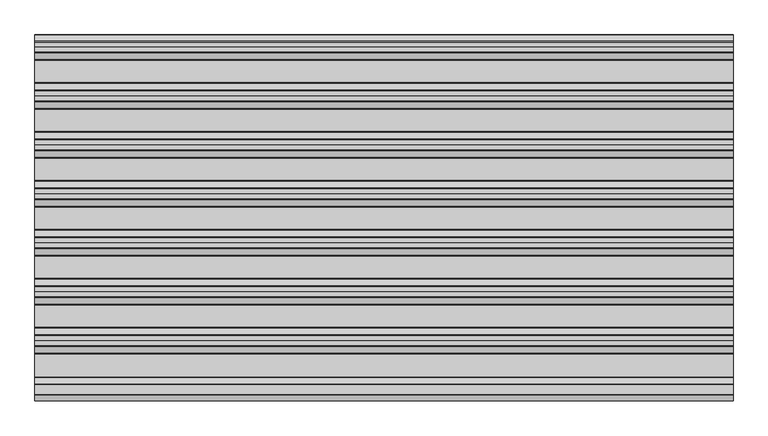
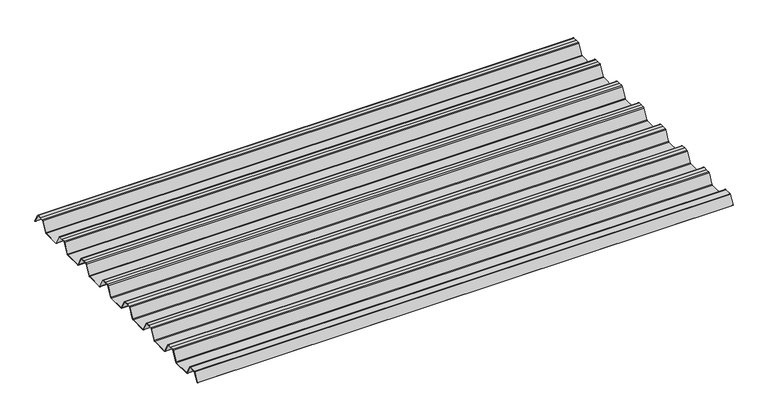
"""IFC4 building model written with IfcOpenShell, lengths in millimetres: beam geometry."""

from ifc_helpers import new_model, si_unit, point, frame, frame_2d, origin, place, context, project, spatial, polyline, circle_curve, trimmed, segment, composite_curve, outline, extrude, source, transform, mapped, element, save


def beam_30ce448d(model_context):
    return source(origin(), model_context, "Body", "SweptSolid", [
        extrude(outline(composite_curve([segment(polyline([(-13.1162593, 6.7521591), (-28.7081834, -22.3289057)]), True, "CONTINUOUS"), segment(trimmed(circle_curve(frame_2d((-29.1488427, -22.0926445)), 0.5), [point((-28.7081834, -22.3289057))], [point((-29.5895021, -21.8563833))], False, "CARTESIAN"), True, "CONTINUOUS"), segment(polyline([(-29.5895021, -21.8563833), (-14.013963, 7.1941212)]), True, "CONTINUOUS"), segment(trimmed(circle_curve(frame_2d((-12.4202706, 6.454055)), 1.7571435), [point((-14.013963, 7.1941212))], [point((-12.4747918, 8.2103525))], False, "CARTESIAN"), True, "CONTINUOUS"), segment(polyline([(-12.4747918, 8.2103525), (12.4747918, 8.2103525)]), True, "CONTINUOUS"), segment(trimmed(circle_curve(frame_2d((12.4202706, 6.454055)), 1.7571435), [point((12.4747918, 8.2103525))], [point((14.013963, 7.1941212))], False, "CARTESIAN"), True, "CONTINUOUS"), segment(polyline([(14.013963, 7.1941212), (30.6266089, -23.790729)]), True, "CONTINUOUS"), segment(trimmed(circle_curve(frame_2d((32.2956191, -22.8958828)), 1.8937647), [point((30.6266089, -23.790729))], [point((32.2956191, -24.7896475))], True, "CARTESIAN"), True, "CONTINUOUS"), segment(polyline([(32.2956191, -24.7896475), (91.988569, -24.7896475)]), True, "CONTINUOUS"), segment(trimmed(circle_curve(frame_2d((91.9202706, -22.03335)), 2.7571435), [point((91.988569, -24.7896475))], [point((94.3994529, -23.2397892))], True, "CARTESIAN"), True, "CONTINUOUS"), segment(polyline([(94.3994529, -23.2397892), (111.2013621, 8.0980628)]), True, "CONTINUOUS"), segment(trimmed(circle_curve(frame_2d((114.5797294, 6.454055)), 3.7571435), [point((111.2013621, 8.0980628))], [point((114.5, 10.2103525))], False, "CARTESIAN"), True, "CONTINUOUS"), segment(polyline([(114.5, 10.2103525), (127.0, 10.2103525), (139.5, 10.2103525)]), True, "CONTINUOUS"), segment(trimmed(circle_curve(frame_2d((139.4202706, 6.454055)), 3.7571435), [point((139.5, 10.2103525))], [point((142.7986379, 8.0980628))], False, "CARTESIAN"), True, "CONTINUOUS"), segment(polyline([(142.7986379, 8.0980628), (159.6005471, -23.2397892)]), True, "CONTINUOUS"), segment(trimmed(circle_curve(frame_2d((162.0797294, -22.03335)), 2.7571435), [point((159.6005471, -23.2397892))], [point((162.011431, -24.7896475))], True, "CARTESIAN"), True, "CONTINUOUS"), segment(polyline([(162.011431, -24.7896475), (218.988569, -24.7896475)]), True, "CONTINUOUS"), segment(trimmed(circle_curve(frame_2d((218.9202706, -22.03335)), 2.7571435), [point((218.988569, -24.7896475))], [point((221.3994529, -23.2397892))], True, "CARTESIAN"), True, "CONTINUOUS"), segment(polyline([(221.3994529, -23.2397892), (238.2013621, 8.0980628)]), True, "CONTINUOUS"), segment(trimmed(circle_curve(frame_2d((241.5797294, 6.454055)), 3.7571435), [point((238.2013621, 8.0980628))], [point((241.5, 10.2103525))], False, "CARTESIAN"), True, "CONTINUOUS"), segment(polyline([(241.5, 10.2103525), (254.0, 10.2103525), (266.5, 10.2103525)]), True, "CONTINUOUS"), segment(trimmed(circle_curve(frame_2d((266.4202706, 6.454055)), 3.7571435), [point((266.5, 10.2103525))], [point((269.7986379, 8.0980628))], False, "CARTESIAN"), True, "CONTINUOUS"), segment(polyline([(269.7986379, 8.0980628), (286.6005471, -23.2397892)]), True, "CONTINUOUS"), segment(trimmed(circle_curve(frame_2d((289.0797294, -22.03335)), 2.7571435), [point((286.6005471, -23.2397892))], [point((289.011431, -24.7896475))], True, "CARTESIAN"), True, "CONTINUOUS"), segment(polyline([(289.011431, -24.7896475), (345.988569, -24.7896475)]), True, "CONTINUOUS"), segment(trimmed(circle_curve(frame_2d((345.9202706, -22.03335)), 2.7571435), [point((345.988569, -24.7896475))], [point((348.3994529, -23.2397892))], True, "CARTESIAN"), True, "CONTINUOUS"), segment(polyline([(348.3994529, -23.2397892), (365.2013621, 8.0980628)]), True, "CONTINUOUS"), segment(trimmed(circle_curve(frame_2d((368.5797294, 6.454055)), 3.7571435), [point((365.2013621, 8.0980628))], [point((368.5, 10.2103525))], False, "CARTESIAN"), True, "CONTINUOUS"), segment(polyline([(368.5, 10.2103525), (381.0, 10.2103525), (393.5, 10.2103525)]), True, "CONTINUOUS"), segment(trimmed(circle_curve(frame_2d((393.4202706, 6.454055)), 3.7571435), [point((393.5, 10.2103525))], [point((396.7986379, 8.0980628))], False, "CARTESIAN"), True, "CONTINUOUS"), segment(polyline([(396.7986379, 8.0980628), (413.6005471, -23.2397892)]), True, "CONTINUOUS"), segment(trimmed(circle_curve(frame_2d((416.0797294, -22.03335)), 2.7571435), [point((413.6005471, -23.2397892))], [point((416.011431, -24.7896475))], True, "CARTESIAN"), True, "CONTINUOUS"), segment(polyline([(416.011431, -24.7896475), (472.988569, -24.7896475)]), True, "CONTINUOUS"), segment(trimmed(circle_curve(frame_2d((472.9202706, -22.03335)), 2.7571435), [point((472.988569, -24.7896475))], [point((475.3994529, -23.2397892))], True, "CARTESIAN"), True, "CONTINUOUS"), segment(polyline([(475.3994529, -23.2397892), (492.2013621, 8.0980628)]), True, "CONTINUOUS"), segment(trimmed(circle_curve(frame_2d((495.5797294, 6.454055)), 3.7571435), [point((492.2013621, 8.0980628))], [point((495.5, 10.2103525))], False, "CARTESIAN"), True, "CONTINUOUS"), segment(polyline([(495.5, 10.2103525), (508.0, 10.2103525), (520.5, 10.2103525)]), True, "CONTINUOUS"), segment(trimmed(circle_curve(frame_2d((520.4202706, 6.454055)), 3.7571435), [point((520.5, 10.2103525))], [point((523.7986379, 8.0980628))], False, "CARTESIAN"), True, "CONTINUOUS"), segment(polyline([(523.7986379, 8.0980628), (540.6005471, -23.2397892)]), True, "CONTINUOUS"), segment(trimmed(circle_curve(frame_2d((543.0797294, -22.03335)), 2.7571435), [point((540.6005471, -23.2397892))], [point((543.011431, -24.7896475))], True, "CARTESIAN"), True, "CONTINUOUS"), segment(polyline([(543.011431, -24.7896475), (599.988569, -24.7896475)]), True, "CONTINUOUS"), segment(trimmed(circle_curve(frame_2d((599.9202706, -22.03335)), 2.7571435), [point((599.988569, -24.7896475))], [point((602.3994529, -23.2397892))], True, "CARTESIAN"), True, "CONTINUOUS"), segment(polyline([(602.3994529, -23.2397892), (619.2013621, 8.0980628)]), True, "CONTINUOUS"), segment(trimmed(circle_curve(frame_2d((622.5797294, 6.454055)), 3.7571435), [point((619.2013621, 8.0980628))], [point((622.5, 10.2103525))], False, "CARTESIAN"), True, "CONTINUOUS"), segment(polyline([(622.5, 10.2103525), (635.0, 10.2103525), (647.5, 10.2103525)]), True, "CONTINUOUS"), segment(trimmed(circle_curve(frame_2d((647.4202706, 6.454055)), 3.7571435), [point((647.5, 10.2103525))], [point((650.7986379, 8.0980628))], False, "CARTESIAN"), True, "CONTINUOUS"), segment(polyline([(650.7986379, 8.0980628), (667.6005471, -23.2397892)]), True, "CONTINUOUS"), segment(trimmed(circle_curve(frame_2d((670.0797294, -22.03335)), 2.7571435), [point((667.6005471, -23.2397892))], [point((670.011431, -24.7896475))], True, "CARTESIAN"), True, "CONTINUOUS"), segment(polyline([(670.011431, -24.7896475), (726.988569, -24.7896475)]), True, "CONTINUOUS"), segment(trimmed(circle_curve(frame_2d((726.9202706, -22.03335)), 2.7571435), [point((726.988569, -24.7896475))], [point((729.3994529, -23.2397892))], True, "CARTESIAN"), True, "CONTINUOUS"), segment(polyline([(729.3994529, -23.2397892), (746.2013621, 8.0980628)]), True, "CONTINUOUS"), segment(trimmed(circle_curve(frame_2d((749.5797294, 6.454055)), 3.7571435), [point((746.2013621, 8.0980628))], [point((749.5, 10.2103525))], False, "CARTESIAN"), True, "CONTINUOUS"), segment(polyline([(749.5, 10.2103525), (762.0, 10.2103525), (774.5, 10.2103525)]), True, "CONTINUOUS"), segment(trimmed(circle_curve(frame_2d((774.4202706, 6.454055)), 3.7571435), [point((774.5, 10.2103525))], [point((777.7986379, 8.0980628))], False, "CARTESIAN"), True, "CONTINUOUS"), segment(polyline([(777.7986379, 8.0980628), (794.6005471, -23.2397892)]), True, "CONTINUOUS"), segment(trimmed(circle_curve(frame_2d((797.0797294, -22.03335)), 2.7571435), [point((794.6005471, -23.2397892))], [point((797.011431, -24.7896475))], True, "CARTESIAN"), True, "CONTINUOUS"), segment(polyline([(797.011431, -24.7896475), (853.988569, -24.7896475)]), True, "CONTINUOUS"), segment(trimmed(circle_curve(frame_2d((853.9202706, -22.03335)), 2.7571435), [point((853.988569, -24.7896475))], [point((856.3994529, -23.2397892))], True, "CARTESIAN"), True, "CONTINUOUS"), segment(polyline([(856.3994529, -23.2397892), (873.2013621, 8.0980628)]), True, "CONTINUOUS"), segment(trimmed(circle_curve(frame_2d((876.5797294, 6.454055)), 3.7571435), [point((873.2013621, 8.0980628))], [point((876.5, 10.2103525))], False, "CARTESIAN"), True, "CONTINUOUS"), segment(polyline([(876.5, 10.2103525), (889.0, 10.2103525), (901.5, 10.2103525)]), True, "CONTINUOUS"), segment(trimmed(circle_curve(frame_2d((901.4202706, 6.454055)), 3.7571435), [point((901.5, 10.2103525))], [point((904.7986379, 8.0980628))], False, "CARTESIAN"), True, "CONTINUOUS"), segment(polyline([(904.7986379, 8.0980628), (919.8398941, -19.9559313)]), True, "CONTINUOUS"), segment(trimmed(circle_curve(frame_2d((919.3992348, -20.1921924)), 0.5), [point((919.8398941, -19.9559313))], [point((918.9585755, -20.4284536))], False, "CARTESIAN"), True, "CONTINUOUS"), segment(polyline([(918.9585755, -20.4284536), (903.9073264, 7.6441785)]), True, "CONTINUOUS"), segment(trimmed(circle_curve(frame_2d((901.4202706, 6.454055)), 2.7571435), [point((903.9073264, 7.6441785))], [point((901.488569, 9.2103525))], True, "CARTESIAN"), True, "CONTINUOUS"), segment(polyline([(901.488569, 9.2103525), (889.0, 9.2103525), (876.511431, 9.2103525)]), True, "CONTINUOUS"), segment(trimmed(circle_curve(frame_2d((876.5797294, 6.454055)), 2.7571435), [point((876.511431, 9.2103525))], [point((874.0926736, 7.6441785))], True, "CARTESIAN"), True, "CONTINUOUS"), segment(polyline([(874.0926736, 7.6441785), (857.2893314, -23.6963464)]), True, "CONTINUOUS"), segment(trimmed(circle_curve(frame_2d((853.9202706, -22.03335)), 3.7571435), [point((857.2893314, -23.6963464))], [point((854.0, -25.7896475))], False, "CARTESIAN"), True, "CONTINUOUS"), segment(polyline([(854.0, -25.7896475), (797.0, -25.7896475)]), True, "CONTINUOUS"), segment(trimmed(circle_curve(frame_2d((797.0797294, -22.03335)), 3.7571435), [point((797.0, -25.7896475))], [point((793.7106686, -23.6963464))], False, "CARTESIAN"), True, "CONTINUOUS"), segment(polyline([(793.7106686, -23.6963464), (776.9073264, 7.6441785)]), True, "CONTINUOUS"), segment(trimmed(circle_curve(frame_2d((774.4202706, 6.454055)), 2.7571435), [point((776.9073264, 7.6441785))], [point((774.488569, 9.2103525))], True, "CARTESIAN"), True, "CONTINUOUS"), segment(polyline([(774.488569, 9.2103525), (762.0, 9.2103525), (749.511431, 9.2103525)]), True, "CONTINUOUS"), segment(trimmed(circle_curve(frame_2d((749.5797294, 6.454055)), 2.7571435), [point((749.511431, 9.2103525))], [point((747.0926736, 7.6441785))], True, "CARTESIAN"), True, "CONTINUOUS"), segment(polyline([(747.0926736, 7.6441785), (730.2893314, -23.6963464)]), True, "CONTINUOUS"), segment(trimmed(circle_curve(frame_2d((726.9202706, -22.03335)), 3.7571435), [point((730.2893314, -23.6963464))], [point((727.0, -25.7896475))], False, "CARTESIAN"), True, "CONTINUOUS"), segment(polyline([(727.0, -25.7896475), (670.0, -25.7896475)]), True, "CONTINUOUS"), segment(trimmed(circle_curve(frame_2d((670.0797294, -22.03335)), 3.7571435), [point((670.0, -25.7896475))], [point((666.7106686, -23.6963464))], False, "CARTESIAN"), True, "CONTINUOUS"), segment(polyline([(666.7106686, -23.6963464), (649.9073264, 7.6441785)]), True, "CONTINUOUS"), segment(trimmed(circle_curve(frame_2d((647.4202706, 6.454055)), 2.7571435), [point((649.9073264, 7.6441785))], [point((647.488569, 9.2103525))], True, "CARTESIAN"), True, "CONTINUOUS"), segment(polyline([(647.488569, 9.2103525), (635.0, 9.2103525), (622.511431, 9.2103525)]), True, "CONTINUOUS"), segment(trimmed(circle_curve(frame_2d((622.5797294, 6.454055)), 2.7571435), [point((622.511431, 9.2103525))], [point((620.0926736, 7.6441785))], True, "CARTESIAN"), True, "CONTINUOUS"), segment(polyline([(620.0926736, 7.6441785), (603.2893314, -23.6963464)]), True, "CONTINUOUS"), segment(trimmed(circle_curve(frame_2d((599.9202706, -22.03335)), 3.7571435), [point((603.2893314, -23.6963464))], [point((600.0, -25.7896475))], False, "CARTESIAN"), True, "CONTINUOUS"), segment(polyline([(600.0, -25.7896475), (543.0, -25.7896475)]), True, "CONTINUOUS"), segment(trimmed(circle_curve(frame_2d((543.0797294, -22.03335)), 3.7571435), [point((543.0, -25.7896475))], [point((539.7106686, -23.6963464))], False, "CARTESIAN"), True, "CONTINUOUS"), segment(polyline([(539.7106686, -23.6963464), (522.9073264, 7.6441785)]), True, "CONTINUOUS"), segment(trimmed(circle_curve(frame_2d((520.4202706, 6.454055)), 2.7571435), [point((522.9073264, 7.6441785))], [point((520.488569, 9.2103525))], True, "CARTESIAN"), True, "CONTINUOUS"), segment(polyline([(520.488569, 9.2103525), (508.0, 9.2103525), (495.511431, 9.2103525)]), True, "CONTINUOUS"), segment(trimmed(circle_curve(frame_2d((495.5797294, 6.454055)), 2.7571435), [point((495.511431, 9.2103525))], [point((493.0926736, 7.6441785))], True, "CARTESIAN"), True, "CONTINUOUS"), segment(polyline([(493.0926736, 7.6441785), (476.2893314, -23.6963464)]), True, "CONTINUOUS"), segment(trimmed(circle_curve(frame_2d((472.9202706, -22.03335)), 3.7571435), [point((476.2893314, -23.6963464))], [point((473.0, -25.7896475))], False, "CARTESIAN"), True, "CONTINUOUS"), segment(polyline([(473.0, -25.7896475), (416.0, -25.7896475)]), True, "CONTINUOUS"), segment(trimmed(circle_curve(frame_2d((416.0797294, -22.03335)), 3.7571435), [point((416.0, -25.7896475))], [point((412.7106686, -23.6963464))], False, "CARTESIAN"), True, "CONTINUOUS"), segment(polyline([(412.7106686, -23.6963464), (395.9073264, 7.6441785)]), True, "CONTINUOUS"), segment(trimmed(circle_curve(frame_2d((393.4202706, 6.454055)), 2.7571435), [point((395.9073264, 7.6441785))], [point((393.488569, 9.2103525))], True, "CARTESIAN"), True, "CONTINUOUS"), segment(polyline([(393.488569, 9.2103525), (381.0, 9.2103525), (368.511431, 9.2103525)]), True, "CONTINUOUS"), segment(trimmed(circle_curve(frame_2d((368.5797294, 6.454055)), 2.7571435), [point((368.511431, 9.2103525))], [point((366.0926736, 7.6441785))], True, "CARTESIAN"), True, "CONTINUOUS"), segment(polyline([(366.0926736, 7.6441785), (349.2893314, -23.6963464)]), True, "CONTINUOUS"), segment(trimmed(circle_curve(frame_2d((345.9202706, -22.03335)), 3.7571435), [point((349.2893314, -23.6963464))], [point((346.0, -25.7896475))], False, "CARTESIAN"), True, "CONTINUOUS"), segment(polyline([(346.0, -25.7896475), (289.0, -25.7896475)]), True, "CONTINUOUS"), segment(trimmed(circle_curve(frame_2d((289.0797294, -22.03335)), 3.7571435), [point((289.0, -25.7896475))], [point((285.7106686, -23.6963464))], False, "CARTESIAN"), True, "CONTINUOUS"), segment(polyline([(285.7106686, -23.6963464), (268.9073264, 7.6441785)]), True, "CONTINUOUS"), segment(trimmed(circle_curve(frame_2d((266.4202706, 6.454055)), 2.7571435), [point((268.9073264, 7.6441785))], [point((266.488569, 9.2103525))], True, "CARTESIAN"), True, "CONTINUOUS"), segment(polyline([(266.488569, 9.2103525), (254.0, 9.2103525), (241.511431, 9.2103525)]), True, "CONTINUOUS"), segment(trimmed(circle_curve(frame_2d((241.5797294, 6.454055)), 2.7571435), [point((241.511431, 9.2103525))], [point((239.0926736, 7.6441785))], True, "CARTESIAN"), True, "CONTINUOUS"), segment(polyline([(239.0926736, 7.6441785), (222.2893314, -23.6963464)]), True, "CONTINUOUS"), segment(trimmed(circle_curve(frame_2d((218.9202706, -22.03335)), 3.7571435), [point((222.2893314, -23.6963464))], [point((219.0, -25.7896475))], False, "CARTESIAN"), True, "CONTINUOUS"), segment(polyline([(219.0, -25.7896475), (162.0, -25.7896475)]), True, "CONTINUOUS"), segment(trimmed(circle_curve(frame_2d((162.0797294, -22.03335)), 3.7571435), [point((162.0, -25.7896475))], [point((158.7106686, -23.6963464))], False, "CARTESIAN"), True, "CONTINUOUS"), segment(polyline([(158.7106686, -23.6963464), (141.9073264, 7.6441785)]), True, "CONTINUOUS"), segment(trimmed(circle_curve(frame_2d((139.4202706, 6.454055)), 2.7571435), [point((141.9073264, 7.6441785))], [point((139.488569, 9.2103525))], True, "CARTESIAN"), True, "CONTINUOUS"), segment(polyline([(139.488569, 9.2103525), (127.0, 9.2103525), (114.511431, 9.2103525)]), True, "CONTINUOUS"), segment(trimmed(circle_curve(frame_2d((114.5797294, 6.454055)), 2.7571435), [point((114.511431, 9.2103525))], [point((112.0926736, 7.6441785))], True, "CARTESIAN"), True, "CONTINUOUS"), segment(polyline([(112.0926736, 7.6441785), (95.2893314, -23.6963464)]), True, "CONTINUOUS"), segment(trimmed(circle_curve(frame_2d((91.9202706, -22.03335)), 3.7571435), [point((95.2893314, -23.6963464))], [point((92.0, -25.7896475))], False, "CARTESIAN"), True, "CONTINUOUS"), segment(polyline([(92.0, -25.7896475), (32.2956191, -25.7896475)]), True, "CONTINUOUS"), segment(trimmed(circle_curve(frame_2d((32.2956191, -22.8958828)), 2.8937647), [point((32.2956191, -25.7896475))], [point((29.7452902, -24.2632513))], False, "CARTESIAN"), True, "CONTINUOUS"), segment(polyline([(29.7452902, -24.2632513), (13.1162593, 6.7521591)]), True, "CONTINUOUS"), segment(trimmed(circle_curve(frame_2d((12.4202706, 6.454055)), 0.7571435), [point((13.1162593, 6.7521591))], [point((12.456054, 7.2103525))], True, "CARTESIAN"), True, "CONTINUOUS"), segment(polyline([(12.456054, 7.2103525), (-12.456054, 7.2103525)]), True, "CONTINUOUS"), segment(trimmed(circle_curve(frame_2d((-12.4202706, 6.454055)), 0.7571435), [point((-12.456054, 7.2103525))], [point((-13.1162593, 6.7521591))], True, "CARTESIAN"), True, "CONTINUOUS")], self_intersect=False)), frame((-905.0, 0.0, 0.0), z_axis=(1.0, 0.0, 0.0), x_axis=(0.0, 1.0, 0.0)), (0.0, 0.0, 1.0), 1810.0),
    ])


if __name__ == "__main__":
    model = new_model("IFC4")
    model_context = context("Model", 3, world=origin())
    ifc_project = project(units=[si_unit("LENGTHUNIT", "METRE", prefix="MILLI")], contexts=[model_context])
    site = spatial("IfcSite", under=ifc_project)
    building = spatial("IfcBuilding", under=site)
    placement = place(None, origin())
    beam_shape = beam_30ce448d(model_context)
    element("IfcBeam", 1, at=placement, inside=building, context=model_context, shape_type="MappedRepresentation", body=[
        mapped(beam_shape, transform((0.0, 0.0, 0.0), x_axis=(1.0, 0.0, 0.0), y_axis=(0.0, 1.0, 0.0), z_axis=(0.0, 0.0, 1.0))),
    ])
    save(model, "model.ifc")
